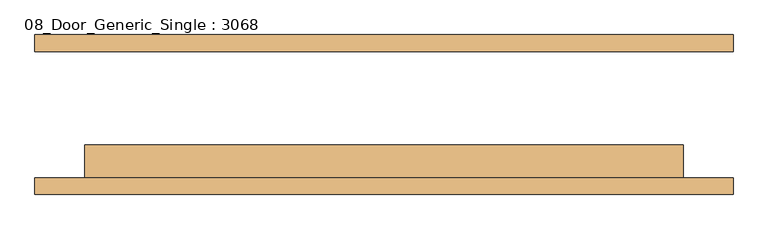
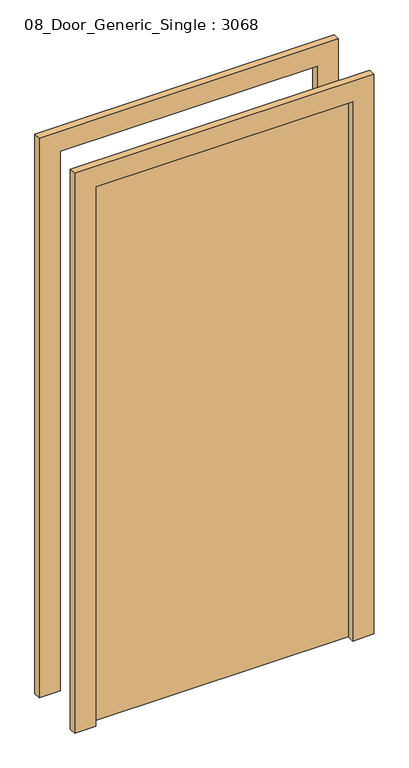
"""IFC4 building model written with IfcOpenShell, lengths in millimetres: door geometry, 08_Door_Generic_Single : 3068."""

import ifcopenshell
import ifcopenshell.guid

model = None  # the IFC model being written
_history = None  # IfcOwnerHistory: only IFC2X3 demands one
_inside = {}  # id of a spatial element -> (the spatial element, [elements in it])
_under = {}  # id of a project, library or spatial element -> (it, [spatial elements below it])
_declared = {}  # id of a project -> (the project, [libraries it declares])
_typed = {}  # id of a type object -> (the type object, [elements of that type])
_made_of = {}  # id of a material, layer set ... -> (it, [elements and type objects made of it])


def new_model(schema):
    """Start an empty IFC model of exactly this schema.

    Asked for "IFC4X3", IfcOpenShell would pick the latest addendum, in which some entities
    have other attributes; the version numbers below select the first issue.
    IFC2X3 requires an IfcOwnerHistory on every rooted entity: one is made here for all.
    """
    global model, _history
    if schema == "IFC4X3":
        model = ifcopenshell.file(schema_version=(4, 3, 0, 0))
    else:
        model = ifcopenshell.file(schema=schema)
    _inside.clear()
    _under.clear()
    _declared.clear()
    _typed.clear()
    _made_of.clear()
    _history = None
    if model.schema == "IFC2X3":
        org = make("IfcOrganization", Name="unknown")
        user = make(
            "IfcPersonAndOrganization",
            ThePerson=make("IfcPerson", FamilyName="unknown"),
            TheOrganization=org,
        )
        app = make(
            "IfcApplication",
            ApplicationDeveloper=org,
            Version="unknown",
            ApplicationFullName="unknown",
            ApplicationIdentifier="unknown",
        )
        _history = make(
            "IfcOwnerHistory",
            OwningUser=user,
            OwningApplication=app,
            ChangeAction="ADDED",
            CreationDate=0,
        )
    return model


def make(cls, **values):
    """One entity of the class cls with the attributes given. An attribute that is None is left unset."""
    return model.create_entity(
        cls, **{name: value for name, value in values.items() if value is not None}
    )


def rooted(cls, **values):
    """An entity with a GlobalId (a new one), such as an element, a storey or a relation."""
    return make(cls, GlobalId=ifcopenshell.guid.new(), OwnerHistory=_history, **values)


def si_unit(unit_type, name, prefix=None):
    """IfcSIUnit, for example si_unit("LENGTHUNIT", "METRE", prefix="MILLI")."""
    return make("IfcSIUnit", UnitType=unit_type, Prefix=prefix, Name=name)


def assignment(units):
    """IfcUnitAssignment: the units of a project."""
    return None if units is None else make("IfcUnitAssignment", Units=units)


def point(xyz):
    """IfcCartesianPoint."""
    return None if xyz is None else make("IfcCartesianPoint", Coordinates=xyz)


def direction(xyz):
    """IfcDirection."""
    return None if xyz is None else make("IfcDirection", DirectionRatios=xyz)


def frame(location, z_axis=None, x_axis=None):
    """IfcAxis2Placement3D, a coordinate frame: its origin and axes. An axis left out is left unset."""
    return make(
        "IfcAxis2Placement3D",
        Location=point(location),
        Axis=direction(z_axis),
        RefDirection=direction(x_axis),
    )


def origin():
    """The frame at (0, 0, 0) with its axes left unset."""
    return frame((0.0, 0.0, 0.0))


def origin_with_axes():
    """The frame at (0, 0, 0) with the z axis (0, 0, 1) and the x axis (1, 0, 0) written out."""
    return frame((0.0, 0.0, 0.0), z_axis=(0.0, 0.0, 1.0), x_axis=(1.0, 0.0, 0.0))


def place(relative_to, where):
    """IfcLocalPlacement: puts the frame where relative to a parent placement (None: the world)."""
    return make(
        "IfcLocalPlacement", PlacementRelTo=relative_to, RelativePlacement=where
    )


def context(
    kind, dimensions, precision=None, world=None, true_north=None, identifier=None
):
    """IfcGeometricRepresentationContext, for example the 3D "Model" context."""
    return make(
        "IfcGeometricRepresentationContext",
        ContextIdentifier=identifier,
        ContextType=kind,
        CoordinateSpaceDimension=dimensions,
        Precision=precision,
        WorldCoordinateSystem=world,
        TrueNorth=true_north,
    )


def project(units=None, contexts=None):
    """IfcProject with its units and contexts."""
    return rooted(
        "IfcProject",
        Name="project",
        RepresentationContexts=contexts,
        UnitsInContext=assignment(units),
    )


def spatial(cls, under=None, at=None, **own):
    """A site, building, storey or space (cls), placed at a placement, below another one or the project."""
    s = rooted(cls, ObjectPlacement=at, **own)
    if under is not None:
        _under.setdefault(under.id(), (under, []))[1].append(s)
    return s


def polyline(points):
    """IfcPolyline through the points."""
    return make("IfcPolyline", Points=[point(p) for p in points])


def outline(outer, holes=None, kind="AREA"):
    """IfcArbitraryClosedProfileDef: a profile drawn as a closed curve; with holes, ...WithVoids."""
    if holes is None:
        return make("IfcArbitraryClosedProfileDef", ProfileType=kind, OuterCurve=outer)
    return make(
        "IfcArbitraryProfileDefWithVoids",
        ProfileType=kind,
        OuterCurve=outer,
        InnerCurves=holes,
    )


def extrude(swept, where, along, depth):
    """IfcExtrudedAreaSolid: the profile swept, set in the frame where, extruded along a direction by depth."""
    return make(
        "IfcExtrudedAreaSolid",
        SweptArea=swept,
        Position=where,
        ExtrudedDirection=direction(along),
        Depth=depth,
    )


def shape(context_of_items, identifier, shape_type, items):
    """IfcShapeRepresentation: the items that make up one representation, for example the "Body"."""
    return make(
        "IfcShapeRepresentation",
        ContextOfItems=context_of_items,
        RepresentationIdentifier=identifier,
        RepresentationType=shape_type,
        Items=items,
    )


def source(mapping_origin, context_of_items, identifier, shape_type, items):
    """IfcRepresentationMap: a shape defined once, which mapped items show again and again."""
    return make(
        "IfcRepresentationMap",
        MappingOrigin=mapping_origin,
        MappedRepresentation=shape(context_of_items, identifier, shape_type, items),
    )


def transform(
    local_origin,
    x_axis=None,
    y_axis=None,
    z_axis=None,
    scale=None,
    scale2=None,
    scale3=None,
    uniform=True,
):
    """IfcCartesianTransformationOperator3D, or its non-uniform kind. x_axis, y_axis, z_axis: its Axis1, 2, 3."""
    if uniform:
        return make(
            "IfcCartesianTransformationOperator3D",
            Axis1=direction(x_axis),
            Axis2=direction(y_axis),
            LocalOrigin=point(local_origin),
            Scale=scale,
            Axis3=direction(z_axis),
        )
    return make(
        "IfcCartesianTransformationOperator3DnonUniform",
        Axis1=direction(x_axis),
        Axis2=direction(y_axis),
        LocalOrigin=point(local_origin),
        Scale=scale,
        Axis3=direction(z_axis),
        Scale2=scale2,
        Scale3=scale3,
    )


def mapped(mapping_source, mapping_target):
    """IfcMappedItem: shows the shape of a source again, moved by a transform."""
    return make(
        "IfcMappedItem", MappingSource=mapping_source, MappingTarget=mapping_target
    )


def made_of(thing, what):
    """Note that an element or type object is made of a material, layer set ...; save() writes the relation."""
    if what is not None:
        _made_of.setdefault(what.id(), (what, []))[1].append(thing)
    return thing


def element(
    cls,
    number,
    at=None,
    inside=None,
    cuts=None,
    type_object=None,
    material=None,
    context=None,
    identifier="Body",
    shape_type=None,
    held_by="IfcProductDefinitionShape",
    body=None,
    shapes=None,
    **own,
):
    """One element of the class cls, such as IfcWall. Its Tag is "e" and its number.

    at: its placement. inside: the storey or other place that contains it. cuts: it is an
    opening in that element (IfcRelVoidsElement). A single representation is given by context,
    identifier, shape_type and body (its items); several are given by shapes. held_by: the class
    of the entity that holds the representations. save() writes the other relations.
    """
    e = rooted(cls, Tag="e%d" % number, ObjectPlacement=at, **own)
    if body is not None:
        shapes = [shape(context, identifier, shape_type, body)]
    if shapes is not None:
        e.Representation = make(held_by, Representations=shapes)
    if inside is not None:
        _inside.setdefault(inside.id(), (inside, []))[1].append(e)
    if cuts is not None:
        rooted(
            "IfcRelVoidsElement", RelatingBuildingElement=cuts, RelatedOpeningElement=e
        )
    if type_object is not None:
        _typed.setdefault(type_object.id(), (type_object, []))[1].append(e)
    return made_of(e, material)


def aggregate(whole, parts):
    """IfcRelAggregates: a whole, such as a stair, and the parts it consists of."""
    return rooted("IfcRelAggregates", RelatingObject=whole, RelatedObjects=parts)


def save(model, path):
    """Write the relations noted so far, then the file.

    IfcRelAggregates (storeys below a building ...), IfcRelContainedInSpatialStructure (elements
    in a storey), IfcRelDefinesByType, IfcRelAssociatesMaterial and IfcRelDeclares: one each for
    every whole, place, type object, material and project.
    """
    for whole, parts in _under.values():
        aggregate(whole, parts)
    for where, things in _inside.values():
        rooted(
            "IfcRelContainedInSpatialStructure",
            RelatedElements=things,
            RelatingStructure=where,
        )
    for kind, things in _typed.values():
        rooted("IfcRelDefinesByType", RelatedObjects=things, RelatingType=kind)
    for what, things in _made_of.values():
        rooted("IfcRelAssociatesMaterial", RelatedObjects=things, RelatingMaterial=what)
    for by, libraries in _declared.values():
        rooted("IfcRelDeclares", RelatingContext=by, RelatedDefinitions=libraries)
    model.write(path)


def door_08_door_generic_single_3068_f88db7b4(model_context):
    return source(origin(), model_context, "Body", "SweptSolid", [
        extrude(outline(polyline([(2032.0, 457.2), (0.0, 457.2), (0.0, 533.4), (2108.2, 533.4), (2108.2, -533.4), (0.0, -533.4), (0.0, -457.2), (2032.0, -457.2), (2032.0, 457.2)])), frame((0.0, 96.8375, 0.0), z_axis=(0.0, 1.0, 0.0), x_axis=(0.0, 0.0, 1.0)), (0.0, 0.0, 1.0), 25.4),
        extrude(outline(polyline([(2032.0, 457.2), (0.0, 457.2), (0.0, 533.4), (2108.2, 533.4), (2108.2, -533.4), (0.0, -533.4), (0.0, -457.2), (2032.0, -457.2), (2032.0, 457.2)])), frame((0.0, -122.2375, 0.0), z_axis=(0.0, 1.0, 0.0), x_axis=(0.0, 0.0, 1.0)), (0.0, 0.0, 1.0), 25.4),
        extrude(outline(polyline([(457.2, -46.0375), (457.2, -96.8375), (-457.2, -96.8375), (-457.2, -46.0375), (457.2, -46.0375)])), origin_with_axes(), (0.0, 0.0, 1.0), 2032.0),
    ])


if __name__ == "__main__":
    model = new_model("IFC4")
    model_context = context("Model", 3, world=origin())
    ifc_project = project(units=[si_unit("LENGTHUNIT", "METRE", prefix="MILLI")], contexts=[model_context])
    site = spatial("IfcSite", under=ifc_project)
    building = spatial("IfcBuilding", under=site)
    placement = place(None, origin())
    door_08_door_generic_single_3068_shape = door_08_door_generic_single_3068_f88db7b4(model_context)
    element("IfcDoor", 1, ObjectType="08_Door_Generic_Single : 3068", at=placement, inside=building, context=model_context, shape_type="MappedRepresentation", body=[
        mapped(door_08_door_generic_single_3068_shape, transform((0.0, 0.0, 0.0), x_axis=(1.0, 0.0, 0.0), y_axis=(0.0, 1.0, 0.0), z_axis=(0.0, 0.0, 1.0))),
    ])
    save(model, "model.ifc")
